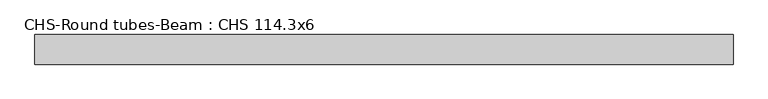
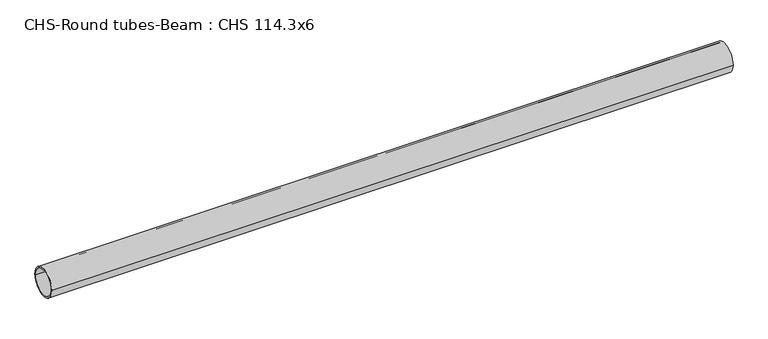
"""IFC4 building model written with IfcOpenShell, lengths in millimetres: beam geometry, CHS-Round tubes-Beam : CHS 114.3x6."""

from ifc_helpers import new_model, si_unit, point, frame, origin, origin_2d, place, context, project, spatial, circle_curve, trimmed, segment, composite_curve, outline, extrude, source, transform, mapped, element, save


def chs_round_tubes_beam_chs_114_3x6_e6058f7d(model_context):
    return source(origin(), model_context, "Body", "SweptSolid", [
        extrude(outline(composite_curve([segment(trimmed(circle_curve(origin_2d(), 57.15), [point((57.15, 0.0))], [point((-57.15, 0.0))], False, "CARTESIAN"), True, "CONTINUOUS"), segment(trimmed(circle_curve(origin_2d(), 57.15), [point((-57.15, 0.0))], [point((57.15, 0.0))], False, "CARTESIAN"), True, "CONTINUOUS")], self_intersect=False), holes=[composite_curve([segment(trimmed(circle_curve(origin_2d(), 51.15), [point((51.15, 0.0))], [point((-51.15, 0.0))], True, "CARTESIAN"), True, "CONTINUOUS"), segment(trimmed(circle_curve(origin_2d(), 51.15), [point((-51.15, 0.0))], [point((51.15, 0.0))], True, "CARTESIAN"), True, "CONTINUOUS")], self_intersect=False)]), frame((-1262.4673378, 0.0, 0.0), z_axis=(1.0, 0.0, 0.0), x_axis=(0.0, 1.0, 0.0)), (0.0, 0.0, 1.0), 2690.4494171),
    ])


if __name__ == "__main__":
    model = new_model("IFC4")
    model_context = context("Model", 3, world=origin())
    ifc_project = project(units=[si_unit("LENGTHUNIT", "METRE", prefix="MILLI")], contexts=[model_context])
    site = spatial("IfcSite", under=ifc_project)
    building = spatial("IfcBuilding", under=site)
    placement = place(None, origin())
    chs_round_tubes_beam_chs_114_3x6_shape = chs_round_tubes_beam_chs_114_3x6_e6058f7d(model_context)
    element("IfcBeam", 1, ObjectType="CHS-Round tubes-Beam : CHS 114.3x6", at=placement, inside=building, context=model_context, shape_type="MappedRepresentation", body=[
        mapped(chs_round_tubes_beam_chs_114_3x6_shape, transform((0.0, 0.0, 0.0), x_axis=(1.0, 0.0, 0.0), y_axis=(0.0, 1.0, 0.0), z_axis=(0.0, 0.0, 1.0))),
    ])
    save(model, "model.ifc")
